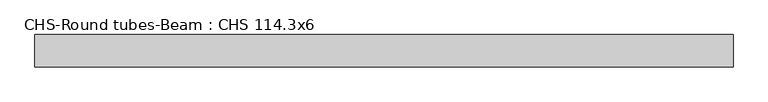
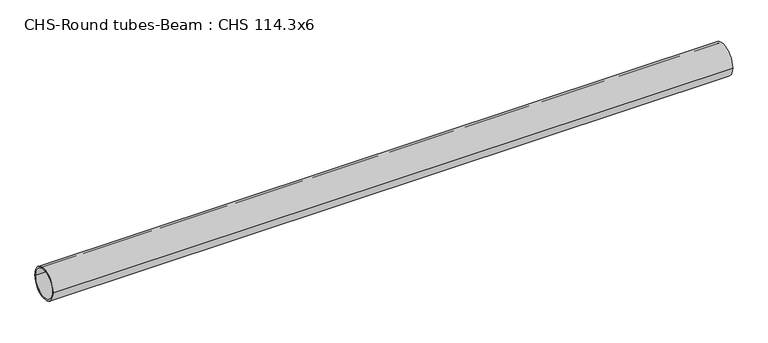
"""IFC4 building model written with IfcOpenShell, lengths in millimetres: beam geometry, CHS-Round tubes-Beam : CHS 114.3x6."""

from ifc_helpers import new_model, si_unit, point, frame, origin, origin_2d, place, context, project, spatial, circle_curve, trimmed, segment, composite_curve, outline, extrude, source, transform, mapped, element, save


def chs_round_tubes_beam_chs_114_3x6_8021a41b(model_context):
    return source(origin(), model_context, "Body", "SweptSolid", [
        extrude(outline(composite_curve([segment(trimmed(circle_curve(origin_2d(), 57.15), [point((57.15, 0.0))], [point((-57.15, 0.0))], False, "CARTESIAN"), True, "CONTINUOUS"), segment(trimmed(circle_curve(origin_2d(), 57.15), [point((-57.15, 0.0))], [point((57.15, 0.0))], False, "CARTESIAN"), True, "CONTINUOUS")], self_intersect=False), holes=[composite_curve([segment(trimmed(circle_curve(origin_2d(), 51.15), [point((51.15, 0.0))], [point((-51.15, 0.0))], True, "CARTESIAN"), True, "CONTINUOUS"), segment(trimmed(circle_curve(origin_2d(), 51.15), [point((-51.15, 0.0))], [point((51.15, 0.0))], True, "CARTESIAN"), True, "CONTINUOUS")], self_intersect=False)]), frame((-1165.6337193, 0.0, 0.0), z_axis=(1.0, 0.0, 0.0), x_axis=(0.0, 1.0, 0.0)), (0.0, 0.0, 1.0), 2455.4887969),
    ])


if __name__ == "__main__":
    model = new_model("IFC4")
    model_context = context("Model", 3, world=origin())
    ifc_project = project(units=[si_unit("LENGTHUNIT", "METRE", prefix="MILLI")], contexts=[model_context])
    site = spatial("IfcSite", under=ifc_project)
    building = spatial("IfcBuilding", under=site)
    placement = place(None, origin())
    chs_round_tubes_beam_chs_114_3x6_shape = chs_round_tubes_beam_chs_114_3x6_8021a41b(model_context)
    element("IfcBeam", 1, ObjectType="CHS-Round tubes-Beam : CHS 114.3x6", at=placement, inside=building, context=model_context, shape_type="MappedRepresentation", body=[
        mapped(chs_round_tubes_beam_chs_114_3x6_shape, transform((0.0, 0.0, 0.0), x_axis=(1.0, 0.0, 0.0), y_axis=(0.0, 1.0, 0.0), z_axis=(0.0, 0.0, 1.0))),
    ])
    save(model, "model.ifc")
